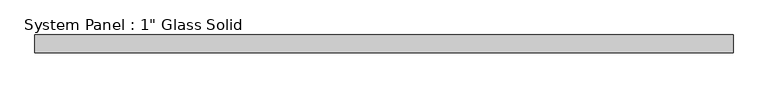
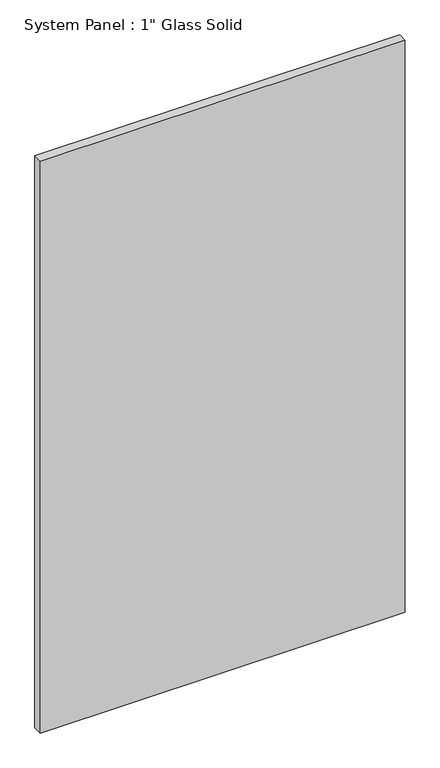
"""IFC4 building model written with IfcOpenShell, lengths in millimetres: plate geometry."""

import ifcopenshell
import ifcopenshell.guid

model = None  # the IFC model being written
_history = None  # IfcOwnerHistory: only IFC2X3 demands one
_inside = {}  # id of a spatial element -> (the spatial element, [elements in it])
_under = {}  # id of a project, library or spatial element -> (it, [spatial elements below it])
_declared = {}  # id of a project -> (the project, [libraries it declares])
_typed = {}  # id of a type object -> (the type object, [elements of that type])
_made_of = {}  # id of a material, layer set ... -> (it, [elements and type objects made of it])


def new_model(schema):
    """Start an empty IFC model of exactly this schema.

    Asked for "IFC4X3", IfcOpenShell would pick the latest addendum, in which some entities
    have other attributes; the version numbers below select the first issue.
    IFC2X3 requires an IfcOwnerHistory on every rooted entity: one is made here for all.
    """
    global model, _history
    if schema == "IFC4X3":
        model = ifcopenshell.file(schema_version=(4, 3, 0, 0))
    else:
        model = ifcopenshell.file(schema=schema)
    _inside.clear()
    _under.clear()
    _declared.clear()
    _typed.clear()
    _made_of.clear()
    _history = None
    if model.schema == "IFC2X3":
        org = make("IfcOrganization", Name="unknown")
        user = make(
            "IfcPersonAndOrganization",
            ThePerson=make("IfcPerson", FamilyName="unknown"),
            TheOrganization=org,
        )
        app = make(
            "IfcApplication",
            ApplicationDeveloper=org,
            Version="unknown",
            ApplicationFullName="unknown",
            ApplicationIdentifier="unknown",
        )
        _history = make(
            "IfcOwnerHistory",
            OwningUser=user,
            OwningApplication=app,
            ChangeAction="ADDED",
            CreationDate=0,
        )
    return model


def make(cls, **values):
    """One entity of the class cls with the attributes given. An attribute that is None is left unset."""
    return model.create_entity(
        cls, **{name: value for name, value in values.items() if value is not None}
    )


def rooted(cls, **values):
    """An entity with a GlobalId (a new one), such as an element, a storey or a relation."""
    return make(cls, GlobalId=ifcopenshell.guid.new(), OwnerHistory=_history, **values)


def si_unit(unit_type, name, prefix=None):
    """IfcSIUnit, for example si_unit("LENGTHUNIT", "METRE", prefix="MILLI")."""
    return make("IfcSIUnit", UnitType=unit_type, Prefix=prefix, Name=name)


def assignment(units):
    """IfcUnitAssignment: the units of a project."""
    return None if units is None else make("IfcUnitAssignment", Units=units)


def point(xyz):
    """IfcCartesianPoint."""
    return None if xyz is None else make("IfcCartesianPoint", Coordinates=xyz)


def direction(xyz):
    """IfcDirection."""
    return None if xyz is None else make("IfcDirection", DirectionRatios=xyz)


def frame(location, z_axis=None, x_axis=None):
    """IfcAxis2Placement3D, a coordinate frame: its origin and axes. An axis left out is left unset."""
    return make(
        "IfcAxis2Placement3D",
        Location=point(location),
        Axis=direction(z_axis),
        RefDirection=direction(x_axis),
    )


def origin():
    """The frame at (0, 0, 0) with its axes left unset."""
    return frame((0.0, 0.0, 0.0))


def origin_with_axes():
    """The frame at (0, 0, 0) with the z axis (0, 0, 1) and the x axis (1, 0, 0) written out."""
    return frame((0.0, 0.0, 0.0), z_axis=(0.0, 0.0, 1.0), x_axis=(1.0, 0.0, 0.0))


def place(relative_to, where):
    """IfcLocalPlacement: puts the frame where relative to a parent placement (None: the world)."""
    return make(
        "IfcLocalPlacement", PlacementRelTo=relative_to, RelativePlacement=where
    )


def context(
    kind, dimensions, precision=None, world=None, true_north=None, identifier=None
):
    """IfcGeometricRepresentationContext, for example the 3D "Model" context."""
    return make(
        "IfcGeometricRepresentationContext",
        ContextIdentifier=identifier,
        ContextType=kind,
        CoordinateSpaceDimension=dimensions,
        Precision=precision,
        WorldCoordinateSystem=world,
        TrueNorth=true_north,
    )


def project(units=None, contexts=None):
    """IfcProject with its units and contexts."""
    return rooted(
        "IfcProject",
        Name="project",
        RepresentationContexts=contexts,
        UnitsInContext=assignment(units),
    )


def spatial(cls, under=None, at=None, **own):
    """A site, building, storey or space (cls), placed at a placement, below another one or the project."""
    s = rooted(cls, ObjectPlacement=at, **own)
    if under is not None:
        _under.setdefault(under.id(), (under, []))[1].append(s)
    return s


def polyline(points):
    """IfcPolyline through the points."""
    return make("IfcPolyline", Points=[point(p) for p in points])


def outline(outer, holes=None, kind="AREA"):
    """IfcArbitraryClosedProfileDef: a profile drawn as a closed curve; with holes, ...WithVoids."""
    if holes is None:
        return make("IfcArbitraryClosedProfileDef", ProfileType=kind, OuterCurve=outer)
    return make(
        "IfcArbitraryProfileDefWithVoids",
        ProfileType=kind,
        OuterCurve=outer,
        InnerCurves=holes,
    )


def extrude(swept, where, along, depth):
    """IfcExtrudedAreaSolid: the profile swept, set in the frame where, extruded along a direction by depth."""
    return make(
        "IfcExtrudedAreaSolid",
        SweptArea=swept,
        Position=where,
        ExtrudedDirection=direction(along),
        Depth=depth,
    )


def shape(context_of_items, identifier, shape_type, items):
    """IfcShapeRepresentation: the items that make up one representation, for example the "Body"."""
    return make(
        "IfcShapeRepresentation",
        ContextOfItems=context_of_items,
        RepresentationIdentifier=identifier,
        RepresentationType=shape_type,
        Items=items,
    )


def source(mapping_origin, context_of_items, identifier, shape_type, items):
    """IfcRepresentationMap: a shape defined once, which mapped items show again and again."""
    return make(
        "IfcRepresentationMap",
        MappingOrigin=mapping_origin,
        MappedRepresentation=shape(context_of_items, identifier, shape_type, items),
    )


def transform(
    local_origin,
    x_axis=None,
    y_axis=None,
    z_axis=None,
    scale=None,
    scale2=None,
    scale3=None,
    uniform=True,
):
    """IfcCartesianTransformationOperator3D, or its non-uniform kind. x_axis, y_axis, z_axis: its Axis1, 2, 3."""
    if uniform:
        return make(
            "IfcCartesianTransformationOperator3D",
            Axis1=direction(x_axis),
            Axis2=direction(y_axis),
            LocalOrigin=point(local_origin),
            Scale=scale,
            Axis3=direction(z_axis),
        )
    return make(
        "IfcCartesianTransformationOperator3DnonUniform",
        Axis1=direction(x_axis),
        Axis2=direction(y_axis),
        LocalOrigin=point(local_origin),
        Scale=scale,
        Axis3=direction(z_axis),
        Scale2=scale2,
        Scale3=scale3,
    )


def mapped(mapping_source, mapping_target):
    """IfcMappedItem: shows the shape of a source again, moved by a transform."""
    return make(
        "IfcMappedItem", MappingSource=mapping_source, MappingTarget=mapping_target
    )


def made_of(thing, what):
    """Note that an element or type object is made of a material, layer set ...; save() writes the relation."""
    if what is not None:
        _made_of.setdefault(what.id(), (what, []))[1].append(thing)
    return thing


def element(
    cls,
    number,
    at=None,
    inside=None,
    cuts=None,
    type_object=None,
    material=None,
    context=None,
    identifier="Body",
    shape_type=None,
    held_by="IfcProductDefinitionShape",
    body=None,
    shapes=None,
    **own,
):
    """One element of the class cls, such as IfcWall. Its Tag is "e" and its number.

    at: its placement. inside: the storey or other place that contains it. cuts: it is an
    opening in that element (IfcRelVoidsElement). A single representation is given by context,
    identifier, shape_type and body (its items); several are given by shapes. held_by: the class
    of the entity that holds the representations. save() writes the other relations.
    """
    e = rooted(cls, Tag="e%d" % number, ObjectPlacement=at, **own)
    if body is not None:
        shapes = [shape(context, identifier, shape_type, body)]
    if shapes is not None:
        e.Representation = make(held_by, Representations=shapes)
    if inside is not None:
        _inside.setdefault(inside.id(), (inside, []))[1].append(e)
    if cuts is not None:
        rooted(
            "IfcRelVoidsElement", RelatingBuildingElement=cuts, RelatedOpeningElement=e
        )
    if type_object is not None:
        _typed.setdefault(type_object.id(), (type_object, []))[1].append(e)
    return made_of(e, material)


def aggregate(whole, parts):
    """IfcRelAggregates: a whole, such as a stair, and the parts it consists of."""
    return rooted("IfcRelAggregates", RelatingObject=whole, RelatedObjects=parts)


def save(model, path):
    """Write the relations noted so far, then the file.

    IfcRelAggregates (storeys below a building ...), IfcRelContainedInSpatialStructure (elements
    in a storey), IfcRelDefinesByType, IfcRelAssociatesMaterial and IfcRelDeclares: one each for
    every whole, place, type object, material and project.
    """
    for whole, parts in _under.values():
        aggregate(whole, parts)
    for where, things in _inside.values():
        rooted(
            "IfcRelContainedInSpatialStructure",
            RelatedElements=things,
            RelatingStructure=where,
        )
    for kind, things in _typed.values():
        rooted("IfcRelDefinesByType", RelatedObjects=things, RelatingType=kind)
    for what, things in _made_of.values():
        rooted("IfcRelAssociatesMaterial", RelatedObjects=things, RelatingMaterial=what)
    for by, libraries in _declared.values():
        rooted("IfcRelDeclares", RelatingContext=by, RelatedDefinitions=libraries)
    model.write(path)


def plate_89ab89c6(model_context):
    return source(origin(), model_context, "Body", "SweptSolid", [
        extrude(outline(polyline([(503.2375, -12.7), (-503.2375, -12.7), (-503.2375, 12.7), (503.2375, 12.7), (503.2375, -12.7)])), origin_with_axes(), (0.0, 0.0, 1.0), 1666.875),
    ])


if __name__ == "__main__":
    model = new_model("IFC4")
    model_context = context("Model", 3, world=origin())
    ifc_project = project(units=[si_unit("LENGTHUNIT", "METRE", prefix="MILLI")], contexts=[model_context])
    site = spatial("IfcSite", under=ifc_project)
    building = spatial("IfcBuilding", under=site)
    placement = place(None, origin())
    plate_shape = plate_89ab89c6(model_context)
    element("IfcPlate", 1, ObjectType="System Panel : 1\" Glass Solid", at=placement, inside=building, context=model_context, shape_type="MappedRepresentation", body=[
        mapped(plate_shape, transform((0.0, 0.0, 0.0), x_axis=(1.0, 0.0, 0.0), y_axis=(0.0, 1.0, 0.0), z_axis=(0.0, 0.0, 1.0))),
    ])
    save(model, "model.ifc")
